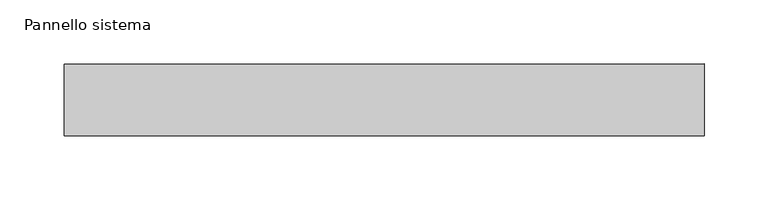
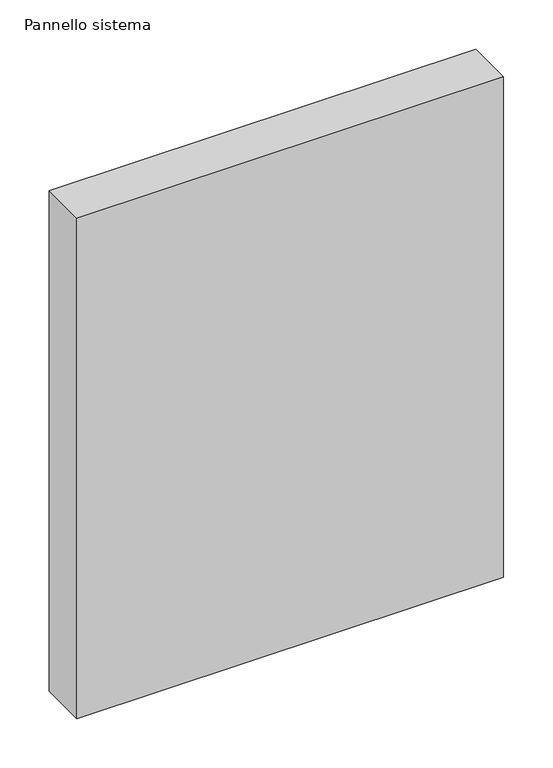
"""IFC4 building model written with IfcOpenShell, lengths in millimetres: plate geometry, Pannello sistema."""

from ifc_helpers import new_model, si_unit, origin, origin_with_axes, place, context, project, spatial, polyline, outline, extrude, source, transform, mapped, element, save


def pannello_sistema_d6905263(model_context):
    return source(origin(), model_context, "Body", "SweptSolid", [
        extrude(outline(polyline([(250.0, -28.0), (-250.0, -28.0), (-250.0, 28.0), (250.0, 28.0), (250.0, -28.0)])), origin_with_axes(), (0.0, 0.0, 1.0), 620.0),
    ])


if __name__ == "__main__":
    model = new_model("IFC4")
    model_context = context("Model", 3, world=origin())
    ifc_project = project(units=[si_unit("LENGTHUNIT", "METRE", prefix="MILLI")], contexts=[model_context])
    site = spatial("IfcSite", under=ifc_project)
    building = spatial("IfcBuilding", under=site)
    placement = place(None, origin())
    pannello_sistema_shape = pannello_sistema_d6905263(model_context)
    element("IfcPlate", 1, ObjectType="Pannello sistema", at=placement, inside=building, context=model_context, shape_type="MappedRepresentation", body=[
        mapped(pannello_sistema_shape, transform((0.0, 0.0, 0.0), x_axis=(1.0, 0.0, 0.0), y_axis=(0.0, 1.0, 0.0), z_axis=(0.0, 0.0, 1.0))),
    ])
    save(model, "model.ifc")
